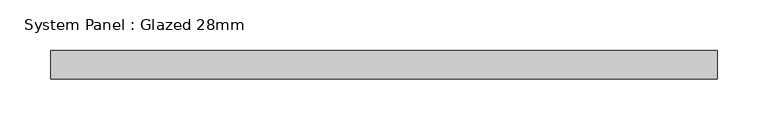
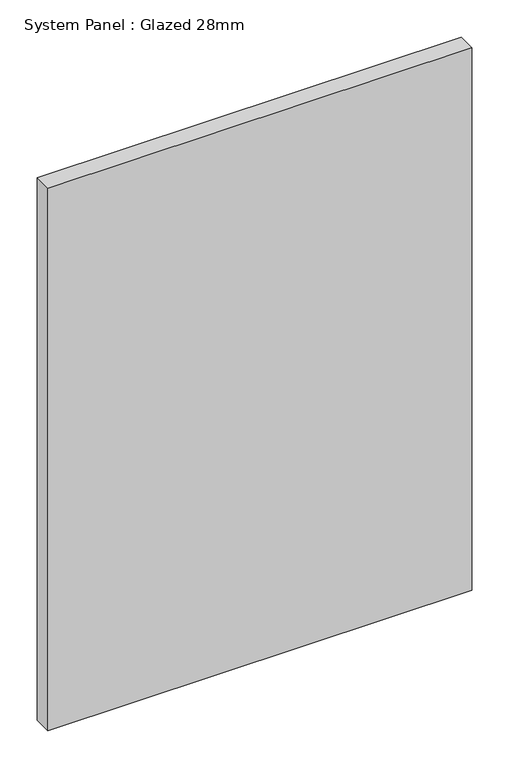
"""IFC4 building model written with IfcOpenShell, lengths in millimetres: plate geometry, System Panel : Glazed 28mm."""

from ifc_helpers import new_model, si_unit, origin, origin_with_axes, place, context, project, spatial, polyline, outline, extrude, source, transform, mapped, element, save


def system_panel_glazed_28mm_58214d07(model_context):
    return source(origin(), model_context, "Body", "SweptSolid", [
        extrude(outline(polyline([(327.8727939, -14.0), (-327.8727939, -14.0), (-327.8727939, 14.0), (327.8727939, 14.0), (327.8727939, -14.0)])), origin_with_axes(), (0.0, 0.0, 1.0), 887.6852275),
    ])


if __name__ == "__main__":
    model = new_model("IFC4")
    model_context = context("Model", 3, world=origin())
    ifc_project = project(units=[si_unit("LENGTHUNIT", "METRE", prefix="MILLI")], contexts=[model_context])
    site = spatial("IfcSite", under=ifc_project)
    building = spatial("IfcBuilding", under=site)
    placement = place(None, origin())
    system_panel_glazed_28mm_shape = system_panel_glazed_28mm_58214d07(model_context)
    element("IfcPlate", 1, ObjectType="System Panel : Glazed 28mm", at=placement, inside=building, context=model_context, shape_type="MappedRepresentation", body=[
        mapped(system_panel_glazed_28mm_shape, transform((0.0, 0.0, 0.0), x_axis=(1.0, 0.0, 0.0), y_axis=(0.0, 1.0, 0.0), z_axis=(0.0, 0.0, 1.0))),
    ])
    save(model, "model.ifc")
